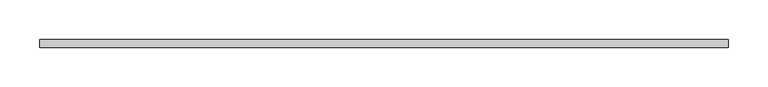
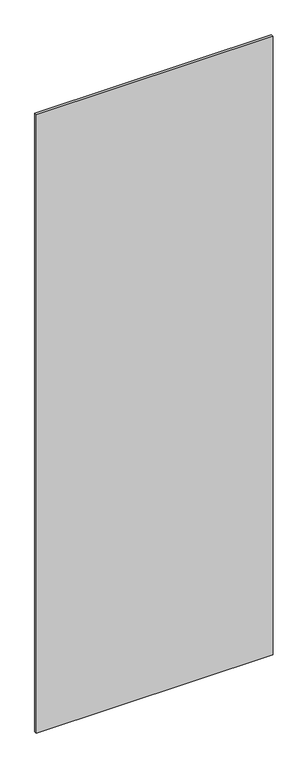
"""IFC4 building model written with IfcOpenShell, lengths in millimetres: plate geometry."""

import ifcopenshell
import ifcopenshell.guid

model = None  # the IFC model being written
_history = None  # IfcOwnerHistory: only IFC2X3 demands one
_inside = {}  # id of a spatial element -> (the spatial element, [elements in it])
_under = {}  # id of a project, library or spatial element -> (it, [spatial elements below it])
_declared = {}  # id of a project -> (the project, [libraries it declares])
_typed = {}  # id of a type object -> (the type object, [elements of that type])
_made_of = {}  # id of a material, layer set ... -> (it, [elements and type objects made of it])


def new_model(schema):
    """Start an empty IFC model of exactly this schema.

    Asked for "IFC4X3", IfcOpenShell would pick the latest addendum, in which some entities
    have other attributes; the version numbers below select the first issue.
    IFC2X3 requires an IfcOwnerHistory on every rooted entity: one is made here for all.
    """
    global model, _history
    if schema == "IFC4X3":
        model = ifcopenshell.file(schema_version=(4, 3, 0, 0))
    else:
        model = ifcopenshell.file(schema=schema)
    _inside.clear()
    _under.clear()
    _declared.clear()
    _typed.clear()
    _made_of.clear()
    _history = None
    if model.schema == "IFC2X3":
        org = make("IfcOrganization", Name="unknown")
        user = make(
            "IfcPersonAndOrganization",
            ThePerson=make("IfcPerson", FamilyName="unknown"),
            TheOrganization=org,
        )
        app = make(
            "IfcApplication",
            ApplicationDeveloper=org,
            Version="unknown",
            ApplicationFullName="unknown",
            ApplicationIdentifier="unknown",
        )
        _history = make(
            "IfcOwnerHistory",
            OwningUser=user,
            OwningApplication=app,
            ChangeAction="ADDED",
            CreationDate=0,
        )
    return model


def make(cls, **values):
    """One entity of the class cls with the attributes given. An attribute that is None is left unset."""
    return model.create_entity(
        cls, **{name: value for name, value in values.items() if value is not None}
    )


def rooted(cls, **values):
    """An entity with a GlobalId (a new one), such as an element, a storey or a relation."""
    return make(cls, GlobalId=ifcopenshell.guid.new(), OwnerHistory=_history, **values)


def si_unit(unit_type, name, prefix=None):
    """IfcSIUnit, for example si_unit("LENGTHUNIT", "METRE", prefix="MILLI")."""
    return make("IfcSIUnit", UnitType=unit_type, Prefix=prefix, Name=name)


def assignment(units):
    """IfcUnitAssignment: the units of a project."""
    return None if units is None else make("IfcUnitAssignment", Units=units)


def point(xyz):
    """IfcCartesianPoint."""
    return None if xyz is None else make("IfcCartesianPoint", Coordinates=xyz)


def direction(xyz):
    """IfcDirection."""
    return None if xyz is None else make("IfcDirection", DirectionRatios=xyz)


def frame(location, z_axis=None, x_axis=None):
    """IfcAxis2Placement3D, a coordinate frame: its origin and axes. An axis left out is left unset."""
    return make(
        "IfcAxis2Placement3D",
        Location=point(location),
        Axis=direction(z_axis),
        RefDirection=direction(x_axis),
    )


def origin():
    """The frame at (0, 0, 0) with its axes left unset."""
    return frame((0.0, 0.0, 0.0))


def origin_with_axes():
    """The frame at (0, 0, 0) with the z axis (0, 0, 1) and the x axis (1, 0, 0) written out."""
    return frame((0.0, 0.0, 0.0), z_axis=(0.0, 0.0, 1.0), x_axis=(1.0, 0.0, 0.0))


def place(relative_to, where):
    """IfcLocalPlacement: puts the frame where relative to a parent placement (None: the world)."""
    return make(
        "IfcLocalPlacement", PlacementRelTo=relative_to, RelativePlacement=where
    )


def context(
    kind, dimensions, precision=None, world=None, true_north=None, identifier=None
):
    """IfcGeometricRepresentationContext, for example the 3D "Model" context."""
    return make(
        "IfcGeometricRepresentationContext",
        ContextIdentifier=identifier,
        ContextType=kind,
        CoordinateSpaceDimension=dimensions,
        Precision=precision,
        WorldCoordinateSystem=world,
        TrueNorth=true_north,
    )


def project(units=None, contexts=None):
    """IfcProject with its units and contexts."""
    return rooted(
        "IfcProject",
        Name="project",
        RepresentationContexts=contexts,
        UnitsInContext=assignment(units),
    )


def spatial(cls, under=None, at=None, **own):
    """A site, building, storey or space (cls), placed at a placement, below another one or the project."""
    s = rooted(cls, ObjectPlacement=at, **own)
    if under is not None:
        _under.setdefault(under.id(), (under, []))[1].append(s)
    return s


def polyline(points):
    """IfcPolyline through the points."""
    return make("IfcPolyline", Points=[point(p) for p in points])


def outline(outer, holes=None, kind="AREA"):
    """IfcArbitraryClosedProfileDef: a profile drawn as a closed curve; with holes, ...WithVoids."""
    if holes is None:
        return make("IfcArbitraryClosedProfileDef", ProfileType=kind, OuterCurve=outer)
    return make(
        "IfcArbitraryProfileDefWithVoids",
        ProfileType=kind,
        OuterCurve=outer,
        InnerCurves=holes,
    )


def extrude(swept, where, along, depth):
    """IfcExtrudedAreaSolid: the profile swept, set in the frame where, extruded along a direction by depth."""
    return make(
        "IfcExtrudedAreaSolid",
        SweptArea=swept,
        Position=where,
        ExtrudedDirection=direction(along),
        Depth=depth,
    )


def shape(context_of_items, identifier, shape_type, items):
    """IfcShapeRepresentation: the items that make up one representation, for example the "Body"."""
    return make(
        "IfcShapeRepresentation",
        ContextOfItems=context_of_items,
        RepresentationIdentifier=identifier,
        RepresentationType=shape_type,
        Items=items,
    )


def source(mapping_origin, context_of_items, identifier, shape_type, items):
    """IfcRepresentationMap: a shape defined once, which mapped items show again and again."""
    return make(
        "IfcRepresentationMap",
        MappingOrigin=mapping_origin,
        MappedRepresentation=shape(context_of_items, identifier, shape_type, items),
    )


def transform(
    local_origin,
    x_axis=None,
    y_axis=None,
    z_axis=None,
    scale=None,
    scale2=None,
    scale3=None,
    uniform=True,
):
    """IfcCartesianTransformationOperator3D, or its non-uniform kind. x_axis, y_axis, z_axis: its Axis1, 2, 3."""
    if uniform:
        return make(
            "IfcCartesianTransformationOperator3D",
            Axis1=direction(x_axis),
            Axis2=direction(y_axis),
            LocalOrigin=point(local_origin),
            Scale=scale,
            Axis3=direction(z_axis),
        )
    return make(
        "IfcCartesianTransformationOperator3DnonUniform",
        Axis1=direction(x_axis),
        Axis2=direction(y_axis),
        LocalOrigin=point(local_origin),
        Scale=scale,
        Axis3=direction(z_axis),
        Scale2=scale2,
        Scale3=scale3,
    )


def mapped(mapping_source, mapping_target):
    """IfcMappedItem: shows the shape of a source again, moved by a transform."""
    return make(
        "IfcMappedItem", MappingSource=mapping_source, MappingTarget=mapping_target
    )


def made_of(thing, what):
    """Note that an element or type object is made of a material, layer set ...; save() writes the relation."""
    if what is not None:
        _made_of.setdefault(what.id(), (what, []))[1].append(thing)
    return thing


def element(
    cls,
    number,
    at=None,
    inside=None,
    cuts=None,
    type_object=None,
    material=None,
    context=None,
    identifier="Body",
    shape_type=None,
    held_by="IfcProductDefinitionShape",
    body=None,
    shapes=None,
    **own,
):
    """One element of the class cls, such as IfcWall. Its Tag is "e" and its number.

    at: its placement. inside: the storey or other place that contains it. cuts: it is an
    opening in that element (IfcRelVoidsElement). A single representation is given by context,
    identifier, shape_type and body (its items); several are given by shapes. held_by: the class
    of the entity that holds the representations. save() writes the other relations.
    """
    e = rooted(cls, Tag="e%d" % number, ObjectPlacement=at, **own)
    if body is not None:
        shapes = [shape(context, identifier, shape_type, body)]
    if shapes is not None:
        e.Representation = make(held_by, Representations=shapes)
    if inside is not None:
        _inside.setdefault(inside.id(), (inside, []))[1].append(e)
    if cuts is not None:
        rooted(
            "IfcRelVoidsElement", RelatingBuildingElement=cuts, RelatedOpeningElement=e
        )
    if type_object is not None:
        _typed.setdefault(type_object.id(), (type_object, []))[1].append(e)
    return made_of(e, material)


def aggregate(whole, parts):
    """IfcRelAggregates: a whole, such as a stair, and the parts it consists of."""
    return rooted("IfcRelAggregates", RelatingObject=whole, RelatedObjects=parts)


def save(model, path):
    """Write the relations noted so far, then the file.

    IfcRelAggregates (storeys below a building ...), IfcRelContainedInSpatialStructure (elements
    in a storey), IfcRelDefinesByType, IfcRelAssociatesMaterial and IfcRelDeclares: one each for
    every whole, place, type object, material and project.
    """
    for whole, parts in _under.values():
        aggregate(whole, parts)
    for where, things in _inside.values():
        rooted(
            "IfcRelContainedInSpatialStructure",
            RelatedElements=things,
            RelatingStructure=where,
        )
    for kind, things in _typed.values():
        rooted("IfcRelDefinesByType", RelatedObjects=things, RelatingType=kind)
    for what, things in _made_of.values():
        rooted("IfcRelAssociatesMaterial", RelatedObjects=things, RelatingMaterial=what)
    for by, libraries in _declared.values():
        rooted("IfcRelDeclares", RelatingContext=by, RelatedDefinitions=libraries)
    model.write(path)


def plate_b5f54599(model_context):
    return source(origin(), model_context, "Body", "SweptSolid", [
        extrude(outline(polyline([(434.6280984, -5.0), (-434.6280984, -5.0), (-434.6280984, 5.0), (434.6280984, 5.0), (434.6280984, -5.0)])), origin_with_axes(), (0.0, 0.0, 1.0), 2401.0),
    ])


if __name__ == "__main__":
    model = new_model("IFC4")
    model_context = context("Model", 3, world=origin())
    ifc_project = project(units=[si_unit("LENGTHUNIT", "METRE", prefix="MILLI")], contexts=[model_context])
    site = spatial("IfcSite", under=ifc_project)
    building = spatial("IfcBuilding", under=site)
    placement = place(None, origin())
    plate_shape = plate_b5f54599(model_context)
    element("IfcPlate", 1, at=placement, inside=building, context=model_context, shape_type="MappedRepresentation", body=[
        mapped(plate_shape, transform((0.0, 0.0, 0.0), x_axis=(1.0, 0.0, 0.0), y_axis=(0.0, 1.0, 0.0), z_axis=(0.0, 0.0, 1.0))),
    ])
    save(model, "model.ifc")
